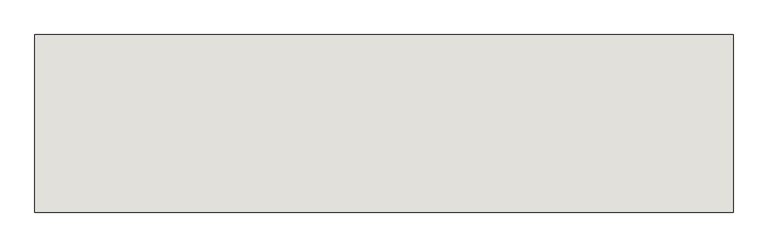
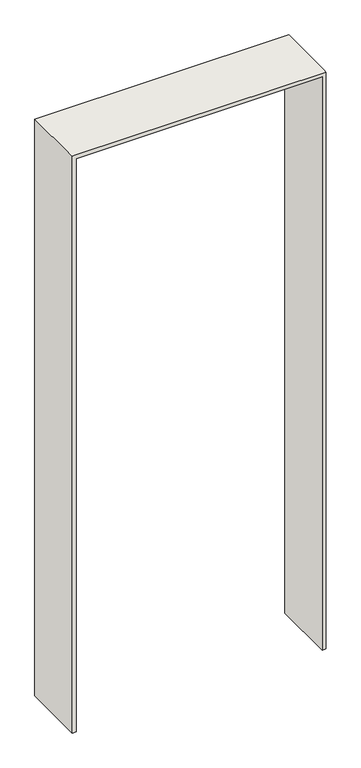
"""IFC4 building model written with IfcOpenShell, lengths in millimetres: wall geometry."""

from ifc_helpers import new_model, si_unit, origin, place, context, project, spatial, faceted_brep, source, transform, mapped, element, save


def wall_de94e251(model_context):
    return source(origin(), model_context, "Body", "Brep", [
        faceted_brep([(-3642.9272493, 3910.284763, 0.0), (-3642.9272493, 3655.284763, 0.0), (-3657.9272493, 3655.284763, 0.0), (-3657.9272493, 3910.284763, 0.0), (-3642.9272493, 3910.284763, 2385.0), (-3642.9272493, 3655.284763, 2385.0), (-2672.9272493, 3655.284763, 2385.0), (-2672.9272493, 3655.284763, 0.0), (-2657.9272493, 3655.284763, 0.0), (-2657.9272493, 3655.284763, 2400.0), (-3642.9272493, 3655.284763, 2400.0), (-3657.9272493, 3655.284763, 2400.0), (-3657.9272493, 3670.284763, 2400.0), (-3657.9272493, 3910.284763, 2400.0), (-2657.9272493, 3910.284763, 2400.0), (-2657.9272493, 3910.284763, 0.0), (-2672.9272493, 3910.284763, 0.0), (-2672.9272493, 3910.284763, 2385.0), (-2657.9272493, 3670.284763, 2400.0), (-2657.9272493, 3670.284763, 0.0)], [[[0, 1, 2, 3]], [[1, 0, 4, 5]], [[2, 1, 5, 6, 7, 8, 9, 10, 11]], [[3, 2, 11, 12, 13]], [[0, 3, 13, 14, 15, 16, 17, 4]], [[5, 4, 17, 6]], [[13, 12, 11, 10, 9, 18, 14]], [[16, 15, 19, 8, 7]], [[6, 17, 16, 7]], [[14, 18, 9, 8, 19, 15]]]),
    ])


if __name__ == "__main__":
    model = new_model("IFC4")
    model_context = context("Model", 3, world=origin())
    ifc_project = project(units=[si_unit("LENGTHUNIT", "METRE", prefix="MILLI")], contexts=[model_context])
    site = spatial("IfcSite", under=ifc_project)
    building = spatial("IfcBuilding", under=site)
    placement = place(None, origin())
    wall_shape = wall_de94e251(model_context)
    element("IfcWall", 1, at=placement, inside=building, context=model_context, shape_type="MappedRepresentation", body=[
        mapped(wall_shape, transform((0.0, 0.0, 0.0), x_axis=(1.0, 0.0, 0.0), y_axis=(0.0, 1.0, 0.0), z_axis=(0.0, 0.0, 1.0))),
    ])
    save(model, "model.ifc")
